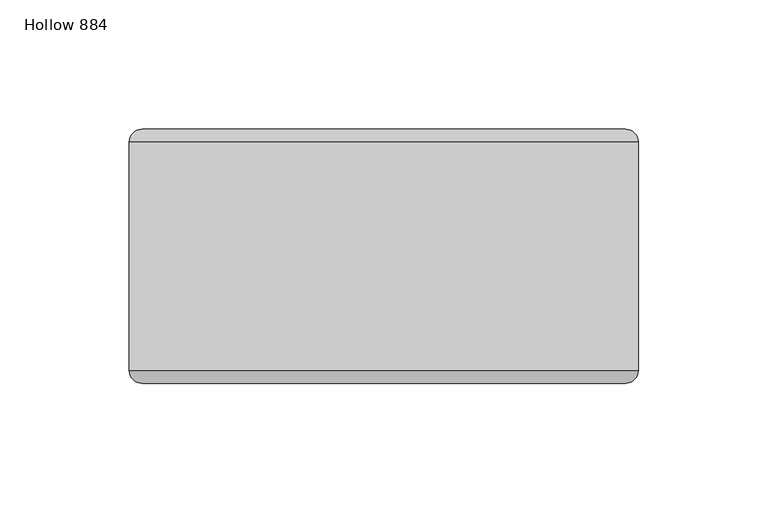
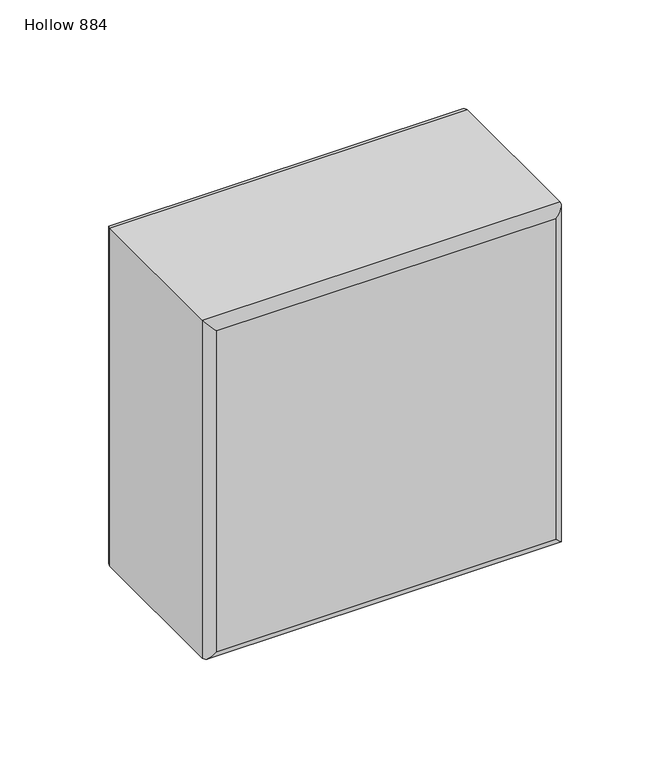
"""IFC4 building model written with IfcOpenShell, lengths in millimetres: plate geometry, Hollow 884."""

from ifc_helpers import new_model, si_unit, frame, origin, place, context, project, spatial, ellipse_curve, source, transform, mapped, element, save
from ifc_brep_helpers import plane_surface, cylinder_surface, advanced_brep


def hollow_884_663dc5f3(model_context):
    return source(origin(), model_context, "Body", "AdvancedBrep", [
        advanced_brep(
        [(-98.4582959, -44.2, 197.0), (98.5417041, -44.2, 197.0), (98.5417041, 44.2, 197.0), (-98.4582959, 44.2, 197.0), (98.5417041, -44.2, 0.0), (-98.4582959, -44.2, 0.0), (-98.4582959, 44.2, 0.0), (98.5417041, 44.2, 0.0), (-93.4582959, -49.2, 5.0), (93.5417041, -49.2, 5.0), (93.5417041, -49.2, 192.0), (-93.4582959, -49.2, 192.0), (93.5417041, 49.2, 5.0), (-93.4582959, 49.2, 5.0), (-93.4582959, 49.2, 192.0), (93.5417041, 49.2, 192.0)],
        [
            (0, 1),
            (1, 2),
            (2, 3),
            (3, 0),
            (4, 5),
            (5, 6),
            (6, 7),
            (7, 4),
            (8, 9),
            (9, 10),
            (10, 11),
            (11, 8),
            (1, 4),
            (7, 2),
            (12, 13),
            (13, 14),
            (14, 15),
            (15, 12),
            (5, 0),
            (3, 6),
            (4, 9, ellipse_curve(frame((93.5417041, -44.2, 5.0), z_axis=(-0.7071067811865475, 0.0, -0.7071067811865475), x_axis=(0.7071067811865476, 0.0, -0.7071067811865474)), 7.0710678, 5.0)),
            (8, 5, ellipse_curve(frame((-93.4582959, -44.2, 5.0), z_axis=(0.7071067811865475, 0.0, -0.7071067811865475), x_axis=(0.7071067811865476, 0.0, 0.7071067811865474)), 7.0710678, 5.0)),
            (1, 10, ellipse_curve(frame((93.5417041, -44.2, 192.0), z_axis=(0.7071067811865475, 0.0, -0.7071067811865475), x_axis=(0.7071067811865474, 0.0, 0.7071067811865476)), 7.0710678, 5.0)),
            (0, 11, ellipse_curve(frame((-93.4582959, -44.2, 192.0), z_axis=(0.7071067811865475, 0.0, 0.7071067811865475), x_axis=(-0.7071067811865476, 0.0, 0.7071067811865474)), 7.0710678, 5.0)),
            (12, 7, ellipse_curve(frame((93.5417041, 44.2, 5.0), z_axis=(-0.7071067811865475, 0.0, -0.7071067811865475), x_axis=(0.7071067811865476, 0.0, -0.7071067811865474)), 7.0710678, 5.0)),
            (6, 13, ellipse_curve(frame((-93.4582959, 44.2, 5.0), z_axis=(0.7071067811865475, 0.0, -0.7071067811865475), x_axis=(0.7071067811865476, 0.0, 0.7071067811865474)), 7.0710678, 5.0)),
            (15, 2, ellipse_curve(frame((93.5417041, 44.2, 192.0), z_axis=(0.7071067811865475, 0.0, -0.7071067811865475), x_axis=(0.7071067811865474, 0.0, 0.7071067811865476)), 7.0710678, 5.0)),
            (14, 3, ellipse_curve(frame((-93.4582959, 44.2, 192.0), z_axis=(0.7071067811865475, 0.0, 0.7071067811865475), x_axis=(-0.7071067811865476, 0.0, 0.7071067811865474)), 7.0710678, 5.0)),
        ],
        [
            plane_surface(frame((-98.4582959, -49.2, 197.0), z_axis=(0.0, 0.0, 1.0), x_axis=(1.0, 0.0, 0.0))),
            plane_surface(frame((-98.4582959, -49.2, 0.0), z_axis=(0.0, 0.0, -1.0), x_axis=(-1.0, 0.0, 0.0))),
            plane_surface(frame((-98.4582959, -49.2, 197.0), z_axis=(0.0, -1.0, 0.0), x_axis=(0.0, 0.0, -1.0))),
            plane_surface(frame((98.5417041, -49.2, 197.0), z_axis=(1.0, 0.0, 0.0), x_axis=(0.0, 0.0, -1.0))),
            plane_surface(frame((98.5417041, 49.2, 197.0), z_axis=(0.0, 1.0, 0.0), x_axis=(0.0, 0.0, -1.0))),
            plane_surface(frame((-98.4582959, 49.2, 197.0), z_axis=(-1.0, 0.0, 0.0), x_axis=(0.0, 0.0, -1.0))),
            cylinder_surface(frame((-98.4582959, -44.2, 5.0), z_axis=(1.0, 0.0, 0.0), x_axis=(0.0, 0.0, -1.0)), 5.0),
            cylinder_surface(frame((93.5417041, -44.2, 0.0), z_axis=(0.0, 0.0, 1.0), x_axis=(1.0, 0.0, 0.0)), 5.0),
            cylinder_surface(frame((98.5417041, -44.2, 192.0), z_axis=(-1.0, 0.0, 0.0), x_axis=(0.0, 0.0, 1.0)), 5.0),
            cylinder_surface(frame((-93.4582959, -44.2, 197.0), z_axis=(0.0, 0.0, -1.0), x_axis=(-1.0, 0.0, 0.0)), 5.0),
            cylinder_surface(frame((-98.4582959, 44.2, 5.0), z_axis=(1.0, 0.0, 0.0), x_axis=(0.0, 0.0, -1.0)), 5.0),
            cylinder_surface(frame((93.5417041, 44.2, 0.0), z_axis=(0.0, 0.0, 1.0), x_axis=(1.0, 0.0, 0.0)), 5.0),
            cylinder_surface(frame((98.5417041, 44.2, 192.0), z_axis=(-1.0, 0.0, 0.0), x_axis=(0.0, 0.0, 1.0)), 5.0),
            cylinder_surface(frame((-93.4582959, 44.2, 197.0), z_axis=(0.0, 0.0, -1.0), x_axis=(-1.0, 0.0, 0.0)), 5.0),
        ],
        [
            (0, [[1, 2, 3, 4]]),
            (1, [[5, 6, 7, 8]]),
            (2, [[9, 10, 11, 12]]),
            (3, [[13, -8, 14, -2]]),
            (4, [[15, 16, 17, 18]]),
            (5, [[19, -4, 20, -6]]),
            (6, [[21, -9, 22, -5]]),
            (7, [[-21, -13, 23, -10]]),
            (8, [[-23, -1, 24, -11]]),
            (9, [[-22, -12, -24, -19]]),
            (10, [[25, -7, 26, -15]]),
            (11, [[-25, -18, 27, -14]]),
            (12, [[-27, -17, 28, -3]]),
            (13, [[-26, -20, -28, -16]]),
        ],
    ),
    ])


if __name__ == "__main__":
    model = new_model("IFC4")
    model_context = context("Model", 3, world=origin())
    ifc_project = project(units=[si_unit("LENGTHUNIT", "METRE", prefix="MILLI")], contexts=[model_context])
    site = spatial("IfcSite", under=ifc_project)
    building = spatial("IfcBuilding", under=site)
    placement = place(None, origin())
    hollow_884_shape = hollow_884_663dc5f3(model_context)
    element("IfcPlate", 1, ObjectType="Hollow 884", at=placement, inside=building, context=model_context, shape_type="MappedRepresentation", body=[
        mapped(hollow_884_shape, transform((0.0, 0.0, 0.0), x_axis=(1.0, 0.0, 0.0), y_axis=(0.0, 1.0, 0.0), z_axis=(0.0, 0.0, 1.0))),
    ])
    save(model, "model.ifc")
